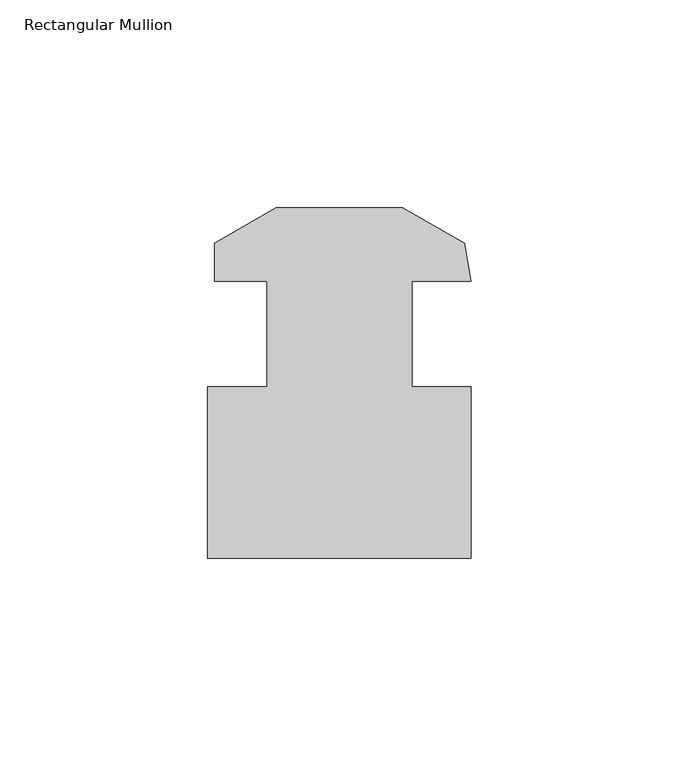
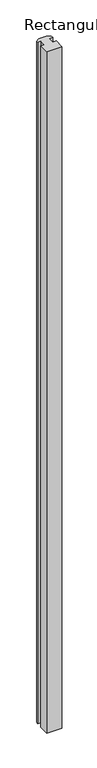
"""IFC4 building model written with IfcOpenShell, lengths in millimetres: member geometry, Rectangular Mullion."""

from ifc_helpers import new_model, si_unit, frame, origin, place, context, project, spatial, polyline, outline, extrude, source, transform, mapped, element, save


def rectangular_mullion_f91fee04(model_context):
    return source(origin(), model_context, "Body", "SweptSolid", [
        extrude(outline(polyline([(-4.096956, -53.9602111), (-67.596956, -53.9602111), (-67.596956, -12.6852111), (-53.309456, -12.6852111), (-53.309456, 12.7147889), (-65.9499667, 12.7147889), (-65.9499667, 21.8572066), (-51.099656, 30.4308317), (-20.594256, 30.4310857), (-5.7051014, 21.8350346), (-4.096956, 12.7147889), (-18.384456, 12.7147889), (-18.384456, -12.6852111), (-4.096956, -12.6852111), (-4.096956, -53.9602111)])), frame((0.0, 0.0, -2984.5), z_axis=(0.0, 0.0, 1.0), x_axis=(1.0, 0.0, 0.0)), (0.0, 0.0, 1.0), 2984.5),
    ])


if __name__ == "__main__":
    model = new_model("IFC4")
    model_context = context("Model", 3, world=origin())
    ifc_project = project(units=[si_unit("LENGTHUNIT", "METRE", prefix="MILLI")], contexts=[model_context])
    site = spatial("IfcSite", under=ifc_project)
    building = spatial("IfcBuilding", under=site)
    placement = place(None, origin())
    rectangular_mullion_shape = rectangular_mullion_f91fee04(model_context)
    element("IfcMember", 1, ObjectType="Rectangular Mullion", at=placement, inside=building, context=model_context, shape_type="MappedRepresentation", body=[
        mapped(rectangular_mullion_shape, transform((0.0, 0.0, 0.0), x_axis=(1.0, 0.0, 0.0), y_axis=(0.0, 1.0, 0.0), z_axis=(0.0, 0.0, 1.0))),
    ])
    save(model, "model.ifc")
